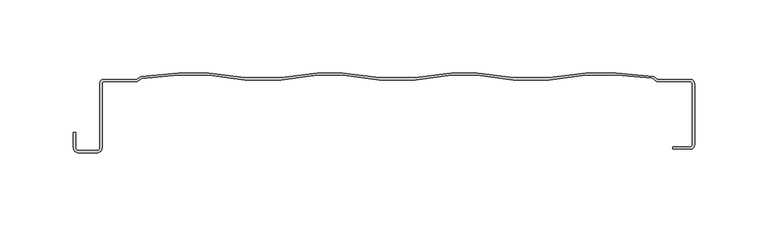
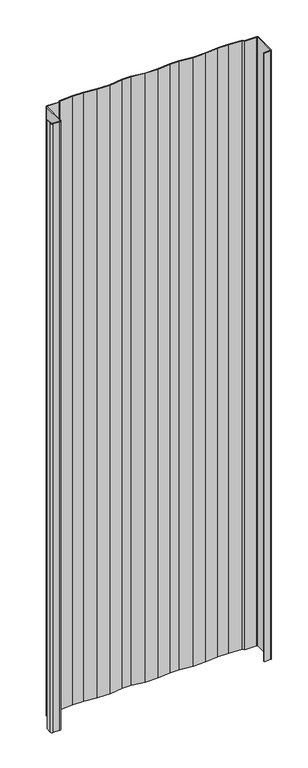
"""IFC4 building model written with IfcOpenShell, lengths in millimetres: plate geometry."""

from ifc_helpers import new_model, si_unit, point, frame_2d, origin, origin_with_axes, place, context, project, spatial, polyline, circle_curve, trimmed, segment, composite_curve, outline, extrude, source, transform, mapped, element, save


def plate_753a3728(model_context):
    return source(origin(), model_context, "Body", "SweptSolid", [
        extrude(outline(composite_curve([segment(polyline([(54.9771961, 0.0), (79.6602521, -3.085382), (104.1724708, -3.085382), (128.8557176, -0.0030647), (149.6378476, 0.0), (175.1238265, -2.1238316), (177.8912116, -4.1993704), (200.2262298, -4.1993704)]), True, "CONTINUOUS"), segment(trimmed(circle_curve(frame_2d((200.3335422, -6.8640377)), 2.6668272), [point((200.2262298, -4.1993704))], [point((203.0, -6.908424))], False, "CARTESIAN"), True, "CONTINUOUS"), segment(polyline([(203.0, -6.908424), (203.0, -48.9858836)]), True, "CONTINUOUS"), segment(trimmed(circle_curve(frame_2d((200.2262298, -48.9858836)), 2.7737702), [point((203.0, -48.9858836))], [point((200.2262298, -51.7596538))], False, "CARTESIAN"), True, "CONTINUOUS"), segment(polyline([(200.2262298, -51.7596538), (188.1469081, -51.7596538), (188.1469081, -50.1419195), (200.2262298, -50.1419195)]), True, "CONTINUOUS"), segment(trimmed(circle_curve(frame_2d((200.2262298, -48.9858836)), 1.1560358), [point((200.2262298, -50.1419195))], [point((201.3822657, -48.9858836))], True, "CARTESIAN"), True, "CONTINUOUS"), segment(polyline([(201.3822657, -48.9858836), (201.3822657, -6.908424)]), True, "CONTINUOUS"), segment(trimmed(circle_curve(frame_2d((200.2262298, -6.908424)), 1.1560358), [point((201.3822657, -6.908424))], [point((200.2262298, -5.7523882))], True, "CARTESIAN"), True, "CONTINUOUS"), segment(polyline([(200.2262298, -5.7523882), (177.373539, -5.7523882), (174.2770765, -3.4300413), (149.5807792, -1.3720165), (128.9409454, -1.3720165), (104.2578894, -4.4573985), (79.5748334, -4.4573985), (54.8917774, -1.3720165), (37.6085249, -1.3720165), (12.9254689, -4.4573985), (-11.7575871, -4.4573985), (-36.4406431, -1.3720165), (-53.7238957, -1.3720165), (-78.4069517, -4.4573985), (-103.0900077, -4.4573985), (-127.7730637, -1.3720165), (-148.4128974, -1.3720165), (-173.2804046, -3.4443088), (-176.3578438, -5.7523882), (-199.2105346, -5.7523882)]), True, "CONTINUOUS"), segment(trimmed(circle_curve(frame_2d((-199.2105346, -6.8647214)), 1.1123332), [point((-199.2105346, -5.7523882))], [point((-200.3228679, -6.8647214))], True, "CARTESIAN"), True, "CONTINUOUS"), segment(polyline([(-200.3228679, -6.8647214), (-200.3228679, -50.802476)]), True, "CONTINUOUS"), segment(trimmed(circle_curve(frame_2d((-203.8552284, -50.802476)), 3.5323605), [point((-200.3228679, -50.802476))], [point((-203.8552284, -54.3348365))], False, "CARTESIAN"), True, "CONTINUOUS"), segment(polyline([(-203.8552284, -54.3348365), (-216.2410783, -54.3348365)]), True, "CONTINUOUS"), segment(trimmed(circle_curve(frame_2d((-216.2410783, -50.802476)), 3.5323605), [point((-216.2410783, -54.3348365))], [point((-219.7734388, -50.802476))], False, "CARTESIAN"), True, "CONTINUOUS"), segment(polyline([(-219.7734388, -50.802476), (-219.7734388, -40.3959688), (-218.220421, -40.3959688), (-218.220421, -50.802476)]), True, "CONTINUOUS"), segment(trimmed(circle_curve(frame_2d((-216.2410783, -50.802476)), 1.9793427), [point((-218.220421, -50.802476))], [point((-216.2410783, -52.7818187))], True, "CARTESIAN"), True, "CONTINUOUS"), segment(polyline([(-216.2410783, -52.7818187), (-203.8552284, -52.7818187)]), True, "CONTINUOUS"), segment(trimmed(circle_curve(frame_2d((-203.8552284, -50.802476)), 1.9793427), [point((-203.8552284, -52.7818187))], [point((-201.8758856, -50.802476))], True, "CARTESIAN"), True, "CONTINUOUS"), segment(polyline([(-201.8758856, -50.802476), (-201.8758856, -6.8647214)]), True, "CONTINUOUS"), segment(trimmed(circle_curve(frame_2d((-199.2105346, -6.8647214)), 2.665351), [point((-201.8758856, -6.8647214))], [point((-199.2105346, -4.1993704))], False, "CARTESIAN"), True, "CONTINUOUS"), segment(polyline([(-199.2105346, -4.1993704), (-176.8755164, -4.1993704), (-174.1271546, -2.1380991), (-148.4699659, 0.0), (-127.6876451, 0.0), (-103.0045891, -3.085382), (-78.4923704, -3.085382), (-53.8093144, 0.0), (-36.3552245, 0.0), (-11.6721685, -3.085382), (12.8400502, -3.085382), (37.5231062, 0.0), (54.9771961, 0.0)]), True, "CONTINUOUS")], self_intersect=False)), origin_with_axes(), (0.0, 0.0, 1.0), 1228.3559792),
    ])


if __name__ == "__main__":
    model = new_model("IFC4")
    model_context = context("Model", 3, world=origin())
    ifc_project = project(units=[si_unit("LENGTHUNIT", "METRE", prefix="MILLI")], contexts=[model_context])
    site = spatial("IfcSite", under=ifc_project)
    building = spatial("IfcBuilding", under=site)
    placement = place(None, origin())
    plate_shape = plate_753a3728(model_context)
    element("IfcPlate", 1, at=placement, inside=building, context=model_context, shape_type="MappedRepresentation", body=[
        mapped(plate_shape, transform((0.0, 0.0, 0.0), x_axis=(1.0, 0.0, 0.0), y_axis=(0.0, 1.0, 0.0), z_axis=(0.0, 0.0, 1.0))),
    ])
    save(model, "model.ifc")
